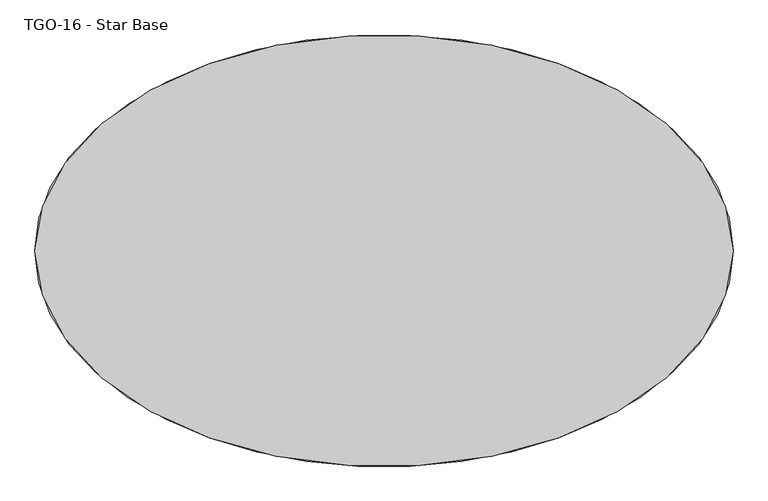
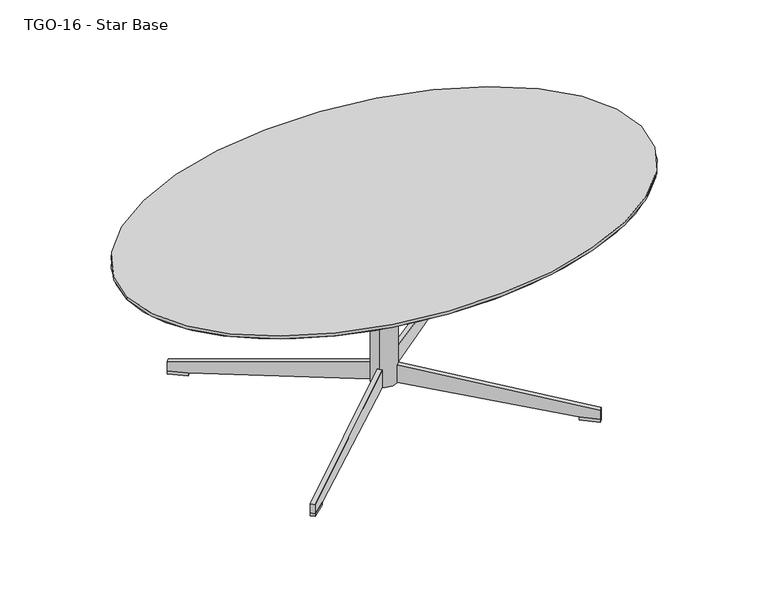
"""IFC4 building model written with IfcOpenShell, lengths in millimetres: furniture geometry, TGO-16 - Star Base."""

from ifc_helpers import new_model, si_unit, point, frame, frame_2d, origin, origin_with_axes, place, context, project, spatial, polyline, circle_curve, ellipse_curve, trimmed, segment, composite_curve, outline, extrude, source, transform, mapped, element, save
from ifc_brep_helpers import plane_surface, extruded_surface, spline_surface, advanced_brep


def tgo_16_star_base_da0c6f57(model_context):
    return source(origin(), model_context, "Body", "SolidModel", [
        extrude(outline(polyline([(-38.1, 0.0), (0.0046782, 0.0), (0.0046782, -6.1869692), (-50.1102906, -377.0090291), (-69.6540333, -377.0090291), (-69.6540333, -338.9090291), (-38.1, -6.4339489), (-38.1, 0.0)])), frame((-17.0010173, 9.2649942, 75.9972053), z_axis=(0.6560590289905007, 0.7547095802227778, 0.0), x_axis=(0.0, 0.0, 1.0)), (0.0, 0.0, 1.0), 9.3971577),
        extrude(outline(polyline([(0.0, 0.0), (0.0, -38.1046782), (-6.1869692, -38.1046782), (-377.0090291, 12.0102906), (-377.0090291, 31.5540333), (-338.9090291, 31.5540333), (-6.4339489, 0.0), (0.0, 0.0)])), frame((-10.8359271, -16.3571191, 37.8972053), z_axis=(-0.6560590289905007, 0.7547095802227778, 0.0), x_axis=(0.7547095802227778, 0.6560590289905007, 0.0)), (0.0, 0.0, 1.0), 9.3971577),
        extrude(outline(polyline([(-301.5333434, -256.6051718), (-272.7789084, -231.6093228), (-266.6138182, -238.7014477), (-295.3682532, -263.6972967), (-301.5333434, -256.6051718)])), origin_with_axes(), (0.0, 0.0, 1.0), 6.343172),
        extrude(outline(polyline([(-272.7789084, 231.6093228), (-301.5333434, 256.6051718), (-295.3682532, 263.6972967), (-266.6138182, 238.7014477), (-272.7789084, 231.6093228)])), origin_with_axes(), (0.0, 0.0, 1.0), 6.343172),
        extrude(outline(polyline([(272.955334, -231.6093228), (301.709769, -256.6051718), (295.5446789, -263.6972967), (266.7902439, -238.7014477), (272.955334, -231.6093228)])), origin_with_axes(), (0.0, 0.0, 1.0), 6.343172),
        extrude(outline(polyline([(38.1, 0.0), (38.1, -6.4339489), (69.6540333, -338.9090291), (69.6540333, -377.0090291), (50.1102906, -377.0090291), (-0.0046782, -6.1869692), (-0.0046782, 0.0), (38.1, 0.0)])), frame((11.0123528, -16.3571191, 75.9972053), z_axis=(0.6560590289905007, 0.7547095802227778, 0.0), x_axis=(0.0, 0.0, -1.0)), (0.0, 0.0, 1.0), 9.3971577),
        extrude(outline(composite_curve([segment(trimmed(circle_curve(frame_2d((0.0882128, 0.0)), 25.430865), [point((-19.1047046, -16.6841486))], [point((19.2811302, 16.6841486))], False, "CARTESIAN"), True, "CONTINUOUS"), segment(trimmed(circle_curve(frame_2d((0.0882128, 0.0)), 25.430865), [point((19.2811302, 16.6841486))], [point((-19.1047046, -16.6841486))], False, "CARTESIAN"), True, "CONTINUOUS")], self_intersect=False)), frame((0.0, 0.0, 37.8760388), z_axis=(0.0, 0.0, 1.0), x_axis=(1.0, 0.0, 0.0)), (0.0, 0.0, 1.0), 349.4739733),
        extrude(outline(polyline([(301.709769, 256.6051718), (272.955334, 231.6093228), (266.7902439, 238.7014477), (295.5446789, 263.6972967), (301.709769, 256.6051718)])), origin_with_axes(), (0.0, 0.0, 1.0), 6.343172),
        extrude(outline(polyline([(0.0, 0.0), (6.4339489, 0.0), (338.9090291, 31.5540333), (377.0090291, 31.5540333), (377.0090291, 12.0102906), (6.1869692, -38.1046782), (0.0, -38.1046782), (0.0, 0.0)])), frame((17.1774429, 9.2649942, 37.8972053), z_axis=(-0.6560590289905007, 0.7547095802227778, 0.0), x_axis=(0.7547095802227778, 0.6560590289905007, 0.0)), (0.0, 0.0, 1.0), 9.3971577),
        advanced_brep(
        [(533.3999516, 0.0, 406.4000121), (-533.3999516, 0.0, 406.4000121), (533.3999516, 0.0, 400.05), (-533.3999516, 0.0, 400.05)],
        [
            (0, 1, ellipse_curve(frame((0.0, 0.0, 406.4000121), z_axis=(0.0, 0.0, 1.0), x_axis=(-1.0, 0.0, 0.0)), 533.3999516, 330.2000109)),
            (1, 0, ellipse_curve(frame((0.0, 0.0, 406.4000121), z_axis=(0.0, 0.0, 1.0), x_axis=(-1.0, 0.0, 0.0)), 533.3999516, 330.2000109)),
            (2, 3, ellipse_curve(frame((0.0, 0.0, 400.05), z_axis=(0.0, 0.0, -1.0), x_axis=(-1.0, 0.0, 0.0)), 533.3999516, 330.2000109)),
            (3, 2, ellipse_curve(frame((0.0, 0.0, 400.05), z_axis=(0.0, 0.0, -1.0), x_axis=(-1.0, 0.0, 0.0)), 533.3999516, 330.2000109)),
            (0, 2),
            (3, 1),
        ],
        [
            plane_surface(frame((-533.3999516, 0.0, 406.4000121), z_axis=(0.0, 0.0, 1.0), x_axis=(0.0, -1.0, 0.0))),
            plane_surface(frame((-533.3999516, 0.0, 400.05), z_axis=(0.0, 0.0, -1.0), x_axis=(0.0, 1.0, 0.0))),
            extruded_surface(trimmed(ellipse_curve(frame((0.0, 0.0, 393.6999879), z_axis=(0.0, 0.0, 1.0), x_axis=(-1.0, 0.0, 0.0)), 533.3999516, 330.2000109), [point((533.3999516, 0.0, 393.6999879))], [point((-533.3999516, 0.0, 393.6999879))], True, "CARTESIAN"), (0.0, 0.0, 6.350012100000015), 6.350012100000015),
            extruded_surface(trimmed(ellipse_curve(frame((0.0, 0.0, 393.6999879), z_axis=(0.0, 0.0, 1.0), x_axis=(-1.0, 0.0, 0.0)), 533.3999516, 330.2000109), [point((-533.3999516, 0.0, 393.6999879))], [point((533.3999516, 0.0, 393.6999879))], True, "CARTESIAN"), (0.0, 0.0, 6.350012100000015), 6.350012100000015),
        ],
        [
            (0, [[1, 2]]),
            (1, [[3, 4]]),
            (2, [[-1, 5, -4, 6]]),
            (3, [[-2, -6, -3, -5]]),
        ],
    ),
        advanced_brep(
        [(533.3999516, 0.0, 400.05), (-533.3999516, 0.0, 400.05), (495.2999516, 0.0, 387.3500121), (-495.2999516, 0.0, 387.3500121)],
        [
            (0, 1, ellipse_curve(frame((0.0, 0.0, 400.05), z_axis=(0.0, 0.0, 1.0), x_axis=(-1.0, 0.0, 0.0)), 533.3999516, 330.2000109)),
            (1, 0, ellipse_curve(frame((0.0, 0.0, 400.05), z_axis=(0.0, 0.0, 1.0), x_axis=(-1.0, 0.0, 0.0)), 533.3999516, 330.2000109)),
            (2, 3, ellipse_curve(frame((0.0, 0.0, 387.3500121), z_axis=(0.0, 0.0, -1.0), x_axis=(-1.0, 0.0, 0.0)), 495.2999516, 292.0981405)),
            (3, 2, ellipse_curve(frame((0.0, 0.0, 387.3500121), z_axis=(0.0, 0.0, -1.0), x_axis=(-1.0, 0.0, 0.0)), 495.2999516, 292.0981405)),
            (3, 1),
            (0, 2),
        ],
        [
            plane_surface(frame((0.0, 0.0, 400.05), z_axis=(0.0, 0.0, 1.0), x_axis=(0.0, 1.0, 0.0))),
            plane_surface(frame((0.0, 0.0, 387.3500121), z_axis=(0.0, 0.0, -1.0), x_axis=(0.0, 1.0, 0.0))),
            spline_surface(2, 1, [[(495.2999516, 0.0, 387.3500121), (533.3999516, 0.0, 400.05)], [(495.2999516, 292.0981405, 387.3500121), (533.3999516, 330.2000109, 400.05)], [(0.0, 292.0981405, 387.3500121), (0.0, 330.2000109, 400.05)], [(-495.2999516, 292.0981405, 387.3500121), (-533.3999516, 330.2000109, 400.05)], [(-495.2999516, 0.0, 387.3500121), (-533.3999516, 0.0, 400.05)]], [3, 2, 3], [2, 2], [0.0, 1.0, 2.0], [0.0, 1.0], weights=[[1.0, 1.0], [0.7071067811865476, 0.7071067811865476], [1.0, 1.0], [0.7071067811865476, 0.7071067811865476], [1.0, 1.0]]),
            spline_surface(2, 1, [[(-495.2999516, 0.0, 387.3500121), (-533.3999516, 0.0, 400.05)], [(-495.2999516, -292.0981405, 387.3500121), (-533.3999516, -330.2000109, 400.05)], [(0.0, -292.0981405, 387.3500121), (0.0, -330.2000109, 400.05)], [(495.2999516, -292.0981405, 387.3500121), (533.3999516, -330.2000109, 400.05)], [(495.2999516, 0.0, 387.3500121), (533.3999516, 0.0, 400.05)]], [3, 2, 3], [2, 2], [0.0, 1.0, 2.0], [0.0, 1.0], weights=[[1.0, 1.0], [0.7071067811865476, 0.7071067811865476], [1.0, 1.0], [0.7071067811865476, 0.7071067811865476], [1.0, 1.0]]),
        ],
        [
            (0, [[1, 2]]),
            (1, [[3, 4]]),
            (2, [[-4, 5, -1, 6]]),
            (3, [[-3, -6, -2, -5]]),
        ],
    ),
    ])


if __name__ == "__main__":
    model = new_model("IFC4")
    model_context = context("Model", 3, world=origin())
    ifc_project = project(units=[si_unit("LENGTHUNIT", "METRE", prefix="MILLI")], contexts=[model_context])
    site = spatial("IfcSite", under=ifc_project)
    building = spatial("IfcBuilding", under=site)
    placement = place(None, origin())
    tgo_16_star_base_shape = tgo_16_star_base_da0c6f57(model_context)
    element("IfcFurniture", 1, ObjectType="TGO-16 - Star Base", at=placement, inside=building, context=model_context, shape_type="MappedRepresentation", body=[
        mapped(tgo_16_star_base_shape, transform((0.0, 0.0, 0.0), x_axis=(1.0, 0.0, 0.0), y_axis=(0.0, 1.0, 0.0), z_axis=(0.0, 0.0, 1.0))),
    ])
    save(model, "model.ifc")
